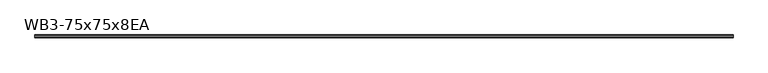
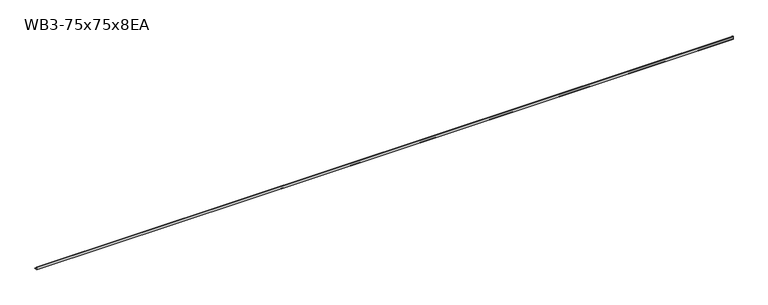
"""IFC4 building model written with IfcOpenShell, lengths in millimetres: beam geometry, WB3-75x75x8EA."""

from ifc_helpers import new_model, si_unit, point, frame, frame_2d, origin, place, context, project, spatial, polyline, circle_curve, trimmed, segment, composite_curve, outline, extrude, source, transform, mapped, element, save


def wb3_75x75x8ea_6eae636b(model_context):
    return source(origin(), model_context, "Body", "SweptSolid", [
        extrude(outline(composite_curve([segment(polyline([(-21.3, -21.3), (-21.3, 53.7), (-18.3, 53.7)]), True, "CONTINUOUS"), segment(trimmed(circle_curve(frame_2d((-18.3, 48.7)), 5.0), [point((-18.3, 53.7))], [point((-13.3, 48.7))], False, "CARTESIAN"), True, "CONTINUOUS"), segment(polyline([(-13.3, 48.7), (-13.3, -5.3)]), True, "CONTINUOUS"), segment(trimmed(circle_curve(frame_2d((-5.3, -5.3)), 8.0), [point((-13.3, -5.3))], [point((-5.3, -13.3))], True, "CARTESIAN"), True, "CONTINUOUS"), segment(polyline([(-5.3, -13.3), (48.7, -13.3)]), True, "CONTINUOUS"), segment(trimmed(circle_curve(frame_2d((48.7, -18.3)), 5.0), [point((48.7, -13.3))], [point((53.7, -18.3))], False, "CARTESIAN"), True, "CONTINUOUS"), segment(polyline([(53.7, -18.3), (53.7, -21.3), (-21.3, -21.3)]), True, "CONTINUOUS")], self_intersect=False)), frame((-9326.0, 0.0, 0.0), z_axis=(1.0, 0.0, 0.0), x_axis=(0.0, 1.0, 0.0)), (0.0, 0.0, 1.0), 18639.0),
    ])


if __name__ == "__main__":
    model = new_model("IFC4")
    model_context = context("Model", 3, world=origin())
    ifc_project = project(units=[si_unit("LENGTHUNIT", "METRE", prefix="MILLI")], contexts=[model_context])
    site = spatial("IfcSite", under=ifc_project)
    building = spatial("IfcBuilding", under=site)
    placement = place(None, origin())
    wb3_75x75x8ea_shape = wb3_75x75x8ea_6eae636b(model_context)
    element("IfcBeam", 1, ObjectType="WB3-75x75x8EA", at=placement, inside=building, context=model_context, shape_type="MappedRepresentation", body=[
        mapped(wb3_75x75x8ea_shape, transform((0.0, 0.0, 0.0), x_axis=(1.0, 0.0, 0.0), y_axis=(0.0, 1.0, 0.0), z_axis=(0.0, 0.0, 1.0))),
    ])
    save(model, "model.ifc")
